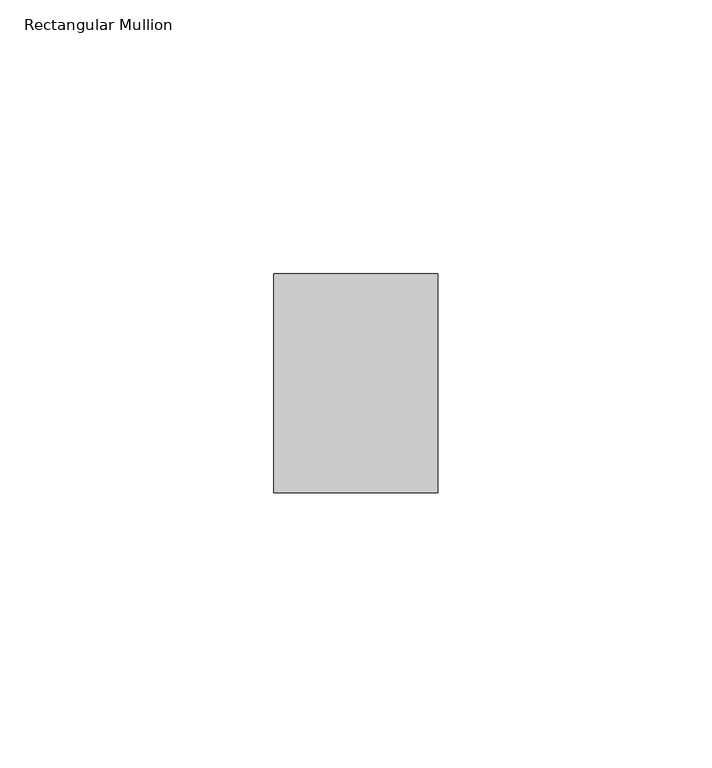
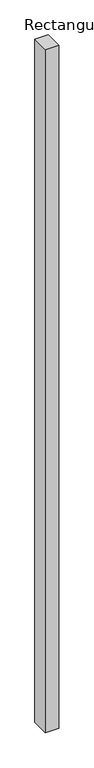
"""IFC4 building model written with IfcOpenShell, lengths in millimetres: member geometry, Rectangular Mullion."""

from ifc_helpers import new_model, si_unit, frame, origin, place, context, project, spatial, polyline, outline, extrude, source, transform, mapped, element, save


def rectangular_mullion_19bac620(model_context):
    return source(origin(), model_context, "Body", "SweptSolid", [
        extrude(outline(polyline([(0.0, 20.0), (0.0, -20.0), (-30.0, -20.0), (-30.0, 20.0), (0.0, 20.0)])), frame((0.0, 0.0, -1600.0000001), z_axis=(0.0, 0.0, 1.0), x_axis=(1.0, 0.0, 0.0)), (0.0, 0.0, 1.0), 1600.0000001),
    ])


if __name__ == "__main__":
    model = new_model("IFC4")
    model_context = context("Model", 3, world=origin())
    ifc_project = project(units=[si_unit("LENGTHUNIT", "METRE", prefix="MILLI")], contexts=[model_context])
    site = spatial("IfcSite", under=ifc_project)
    building = spatial("IfcBuilding", under=site)
    placement = place(None, origin())
    rectangular_mullion_shape = rectangular_mullion_19bac620(model_context)
    element("IfcMember", 1, ObjectType="Rectangular Mullion", at=placement, inside=building, context=model_context, shape_type="MappedRepresentation", body=[
        mapped(rectangular_mullion_shape, transform((0.0, 0.0, 0.0), x_axis=(1.0, 0.0, 0.0), y_axis=(0.0, 1.0, 0.0), z_axis=(0.0, 0.0, 1.0))),
    ])
    save(model, "model.ifc")
